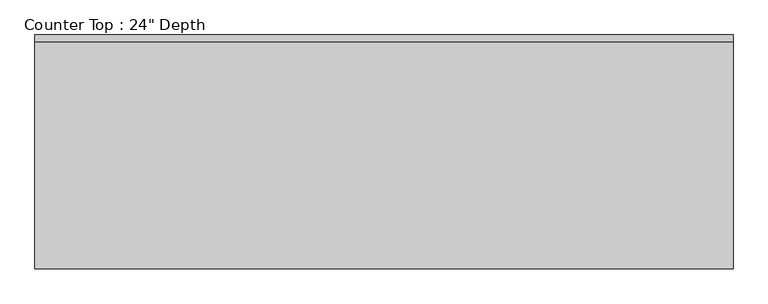
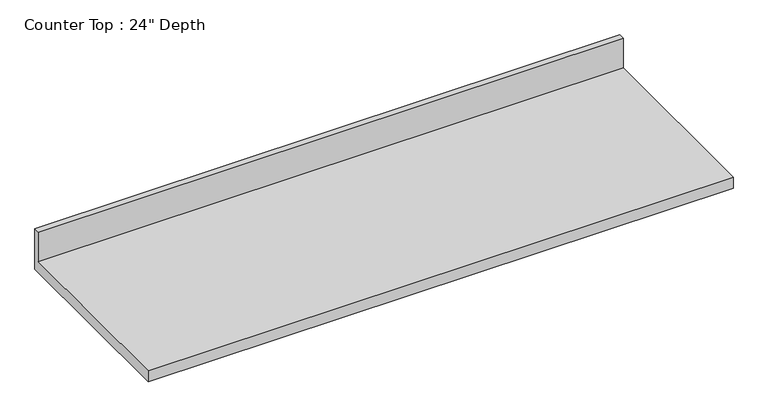
"""IFC4 building model written with IfcOpenShell, lengths in millimetres: furniture geometry."""

from ifc_helpers import new_model, si_unit, frame, origin, place, context, project, spatial, polyline, outline, extrude, source, transform, mapped, element, save


def furniture_dcea30c2(model_context):
    return source(origin(), model_context, "Body", "SweptSolid", [
        extrude(outline(polyline([(0.0, 1016.0), (0.0, 876.3), (-635.0, 876.3), (-635.0, 914.4), (-19.05, 914.4), (-19.05, 1016.0), (0.0, 1016.0)])), frame((-1200.4622951, 0.0, 0.0), z_axis=(1.0, 0.0, 0.0), x_axis=(0.0, 1.0, 0.0)), (0.0, 0.0, 1.0), 1894.5585639),
    ])


if __name__ == "__main__":
    model = new_model("IFC4")
    model_context = context("Model", 3, world=origin())
    ifc_project = project(units=[si_unit("LENGTHUNIT", "METRE", prefix="MILLI")], contexts=[model_context])
    site = spatial("IfcSite", under=ifc_project)
    building = spatial("IfcBuilding", under=site)
    placement = place(None, origin())
    furniture_shape = furniture_dcea30c2(model_context)
    element("IfcFurniture", 1, ObjectType="Counter Top : 24\" Depth", at=placement, inside=building, context=model_context, shape_type="MappedRepresentation", body=[
        mapped(furniture_shape, transform((0.0, 0.0, 0.0), x_axis=(1.0, 0.0, 0.0), y_axis=(0.0, 1.0, 0.0), z_axis=(0.0, 0.0, 1.0))),
    ])
    save(model, "model.ifc")
